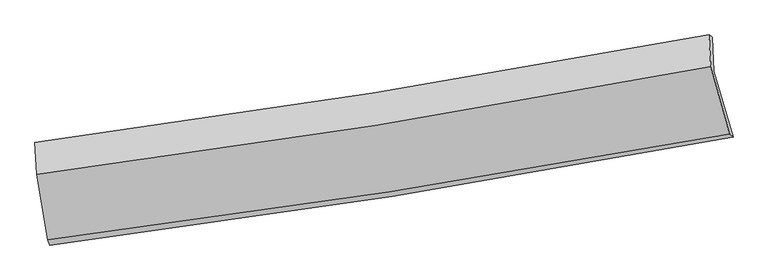
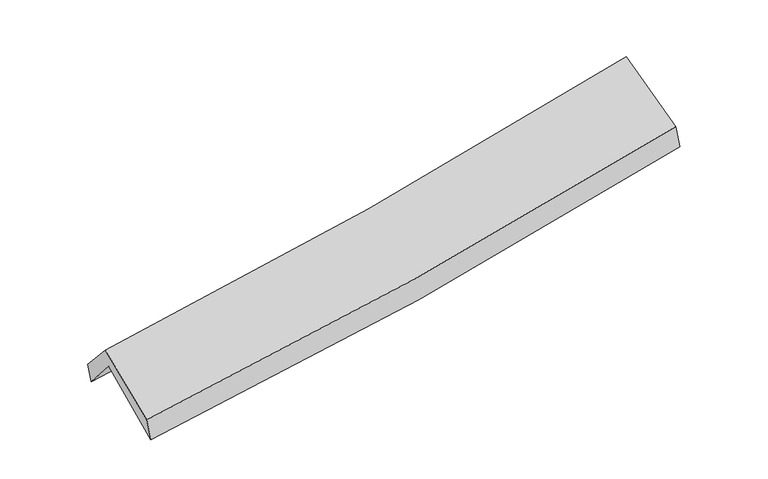
"""IFC4 building model written with IfcOpenShell, lengths in millimetres: proxy geometry."""

import ifcopenshell
import ifcopenshell.guid

model = None  # the IFC model being written
_history = None  # IfcOwnerHistory: only IFC2X3 demands one
_inside = {}  # id of a spatial element -> (the spatial element, [elements in it])
_under = {}  # id of a project, library or spatial element -> (it, [spatial elements below it])
_declared = {}  # id of a project -> (the project, [libraries it declares])
_typed = {}  # id of a type object -> (the type object, [elements of that type])
_made_of = {}  # id of a material, layer set ... -> (it, [elements and type objects made of it])


def new_model(schema):
    """Start an empty IFC model of exactly this schema.

    Asked for "IFC4X3", IfcOpenShell would pick the latest addendum, in which some entities
    have other attributes; the version numbers below select the first issue.
    IFC2X3 requires an IfcOwnerHistory on every rooted entity: one is made here for all.
    """
    global model, _history
    if schema == "IFC4X3":
        model = ifcopenshell.file(schema_version=(4, 3, 0, 0))
    else:
        model = ifcopenshell.file(schema=schema)
    _inside.clear()
    _under.clear()
    _declared.clear()
    _typed.clear()
    _made_of.clear()
    _history = None
    if model.schema == "IFC2X3":
        org = make("IfcOrganization", Name="unknown")
        user = make(
            "IfcPersonAndOrganization",
            ThePerson=make("IfcPerson", FamilyName="unknown"),
            TheOrganization=org,
        )
        app = make(
            "IfcApplication",
            ApplicationDeveloper=org,
            Version="unknown",
            ApplicationFullName="unknown",
            ApplicationIdentifier="unknown",
        )
        _history = make(
            "IfcOwnerHistory",
            OwningUser=user,
            OwningApplication=app,
            ChangeAction="ADDED",
            CreationDate=0,
        )
    return model


def make(cls, **values):
    """One entity of the class cls with the attributes given. An attribute that is None is left unset."""
    return model.create_entity(
        cls, **{name: value for name, value in values.items() if value is not None}
    )


def rooted(cls, **values):
    """An entity with a GlobalId (a new one), such as an element, a storey or a relation."""
    return make(cls, GlobalId=ifcopenshell.guid.new(), OwnerHistory=_history, **values)


def si_unit(unit_type, name, prefix=None):
    """IfcSIUnit, for example si_unit("LENGTHUNIT", "METRE", prefix="MILLI")."""
    return make("IfcSIUnit", UnitType=unit_type, Prefix=prefix, Name=name)


def assignment(units):
    """IfcUnitAssignment: the units of a project."""
    return None if units is None else make("IfcUnitAssignment", Units=units)


def point(xyz):
    """IfcCartesianPoint."""
    return None if xyz is None else make("IfcCartesianPoint", Coordinates=xyz)


def direction(xyz):
    """IfcDirection."""
    return None if xyz is None else make("IfcDirection", DirectionRatios=xyz)


def frame(location, z_axis=None, x_axis=None):
    """IfcAxis2Placement3D, a coordinate frame: its origin and axes. An axis left out is left unset."""
    return make(
        "IfcAxis2Placement3D",
        Location=point(location),
        Axis=direction(z_axis),
        RefDirection=direction(x_axis),
    )


def origin():
    """The frame at (0, 0, 0) with its axes left unset."""
    return frame((0.0, 0.0, 0.0))


def place(relative_to, where):
    """IfcLocalPlacement: puts the frame where relative to a parent placement (None: the world)."""
    return make(
        "IfcLocalPlacement", PlacementRelTo=relative_to, RelativePlacement=where
    )


def context(
    kind, dimensions, precision=None, world=None, true_north=None, identifier=None
):
    """IfcGeometricRepresentationContext, for example the 3D "Model" context."""
    return make(
        "IfcGeometricRepresentationContext",
        ContextIdentifier=identifier,
        ContextType=kind,
        CoordinateSpaceDimension=dimensions,
        Precision=precision,
        WorldCoordinateSystem=world,
        TrueNorth=true_north,
    )


def project(units=None, contexts=None):
    """IfcProject with its units and contexts."""
    return rooted(
        "IfcProject",
        Name="project",
        RepresentationContexts=contexts,
        UnitsInContext=assignment(units),
    )


def spatial(cls, under=None, at=None, **own):
    """A site, building, storey or space (cls), placed at a placement, below another one or the project."""
    s = rooted(cls, ObjectPlacement=at, **own)
    if under is not None:
        _under.setdefault(under.id(), (under, []))[1].append(s)
    return s


def shape(context_of_items, identifier, shape_type, items):
    """IfcShapeRepresentation: the items that make up one representation, for example the "Body"."""
    return make(
        "IfcShapeRepresentation",
        ContextOfItems=context_of_items,
        RepresentationIdentifier=identifier,
        RepresentationType=shape_type,
        Items=items,
    )


def source(mapping_origin, context_of_items, identifier, shape_type, items):
    """IfcRepresentationMap: a shape defined once, which mapped items show again and again."""
    return make(
        "IfcRepresentationMap",
        MappingOrigin=mapping_origin,
        MappedRepresentation=shape(context_of_items, identifier, shape_type, items),
    )


def transform(
    local_origin,
    x_axis=None,
    y_axis=None,
    z_axis=None,
    scale=None,
    scale2=None,
    scale3=None,
    uniform=True,
):
    """IfcCartesianTransformationOperator3D, or its non-uniform kind. x_axis, y_axis, z_axis: its Axis1, 2, 3."""
    if uniform:
        return make(
            "IfcCartesianTransformationOperator3D",
            Axis1=direction(x_axis),
            Axis2=direction(y_axis),
            LocalOrigin=point(local_origin),
            Scale=scale,
            Axis3=direction(z_axis),
        )
    return make(
        "IfcCartesianTransformationOperator3DnonUniform",
        Axis1=direction(x_axis),
        Axis2=direction(y_axis),
        LocalOrigin=point(local_origin),
        Scale=scale,
        Axis3=direction(z_axis),
        Scale2=scale2,
        Scale3=scale3,
    )


def mapped(mapping_source, mapping_target):
    """IfcMappedItem: shows the shape of a source again, moved by a transform."""
    return make(
        "IfcMappedItem", MappingSource=mapping_source, MappingTarget=mapping_target
    )


def made_of(thing, what):
    """Note that an element or type object is made of a material, layer set ...; save() writes the relation."""
    if what is not None:
        _made_of.setdefault(what.id(), (what, []))[1].append(thing)
    return thing


def element(
    cls,
    number,
    at=None,
    inside=None,
    cuts=None,
    type_object=None,
    material=None,
    context=None,
    identifier="Body",
    shape_type=None,
    held_by="IfcProductDefinitionShape",
    body=None,
    shapes=None,
    **own,
):
    """One element of the class cls, such as IfcWall. Its Tag is "e" and its number.

    at: its placement. inside: the storey or other place that contains it. cuts: it is an
    opening in that element (IfcRelVoidsElement). A single representation is given by context,
    identifier, shape_type and body (its items); several are given by shapes. held_by: the class
    of the entity that holds the representations. save() writes the other relations.
    """
    e = rooted(cls, Tag="e%d" % number, ObjectPlacement=at, **own)
    if body is not None:
        shapes = [shape(context, identifier, shape_type, body)]
    if shapes is not None:
        e.Representation = make(held_by, Representations=shapes)
    if inside is not None:
        _inside.setdefault(inside.id(), (inside, []))[1].append(e)
    if cuts is not None:
        rooted(
            "IfcRelVoidsElement", RelatingBuildingElement=cuts, RelatedOpeningElement=e
        )
    if type_object is not None:
        _typed.setdefault(type_object.id(), (type_object, []))[1].append(e)
    return made_of(e, material)


def aggregate(whole, parts):
    """IfcRelAggregates: a whole, such as a stair, and the parts it consists of."""
    return rooted("IfcRelAggregates", RelatingObject=whole, RelatedObjects=parts)


def save(model, path):
    """Write the relations noted so far, then the file.

    IfcRelAggregates (storeys below a building ...), IfcRelContainedInSpatialStructure (elements
    in a storey), IfcRelDefinesByType, IfcRelAssociatesMaterial and IfcRelDeclares: one each for
    every whole, place, type object, material and project.
    """
    for whole, parts in _under.values():
        aggregate(whole, parts)
    for where, things in _inside.values():
        rooted(
            "IfcRelContainedInSpatialStructure",
            RelatedElements=things,
            RelatingStructure=where,
        )
    for kind, things in _typed.values():
        rooted("IfcRelDefinesByType", RelatedObjects=things, RelatingType=kind)
    for what, things in _made_of.values():
        rooted("IfcRelAssociatesMaterial", RelatedObjects=things, RelatingMaterial=what)
    for by, libraries in _declared.values():
        rooted("IfcRelDeclares", RelatingContext=by, RelatedDefinitions=libraries)
    model.write(path)


def plane_surface(at):
    """IfcPlane: the flat surface through the origin of the frame at, square to its z axis."""
    return make("IfcPlane", Position=at)


def spline_curve(degree, points, multiplicities, knots, weights=None):
    """IfcBSplineCurveWithKnots; with weights, IfcRationalBSplineCurveWithKnots."""
    own = dict(
        Degree=degree,
        ControlPointsList=[point(p) for p in points],
        CurveForm="UNSPECIFIED",
        ClosedCurve=False,
        SelfIntersect=False,
        KnotMultiplicities=multiplicities,
        Knots=knots,
        KnotSpec="UNSPECIFIED",
    )
    if weights is None:
        return make("IfcBSplineCurveWithKnots", **own)
    return make("IfcRationalBSplineCurveWithKnots", WeightsData=weights, **own)


def spline_surface(u_degree, v_degree, points, u_multiplicities, v_multiplicities, u_knots, v_knots, weights=None):
    """IfcBSplineSurfaceWithKnots; with weights, IfcRationalBSplineSurfaceWithKnots. points: one row for each step in u."""
    own = dict(
        UDegree=u_degree,
        VDegree=v_degree,
        ControlPointsList=[[point(p) for p in row] for row in points],
        SurfaceForm="UNSPECIFIED",
        UClosed=False,
        VClosed=False,
        SelfIntersect=False,
        UMultiplicities=u_multiplicities,
        VMultiplicities=v_multiplicities,
        UKnots=u_knots,
        VKnots=v_knots,
        KnotSpec="UNSPECIFIED",
    )
    if weights is None:
        return make("IfcBSplineSurfaceWithKnots", **own)
    return make("IfcRationalBSplineSurfaceWithKnots", WeightsData=weights, **own)


def advanced_brep(points, edges, surfaces, faces):
    """IfcAdvancedBrep: a solid bounded by faces that lie on surfaces and meet in shared edges.

    An edge is (start, end): straight between two places in points (the first is 0);
    or (start, end, curve); or (start, end, curve, False) where it runs against its curve.
    A face is (place in surfaces, loops), or (place, loops, False) where it looks against
    its surface's normal. A loop lists edges by number (the first is 1), with a minus sign
    where the edge is run from its end to its start. The first loop is the outer one.
    """
    corners = [point(p) for p in points]
    vertices = [make("IfcVertexPoint", VertexGeometry=c) for c in corners]
    made = []
    for start, end, *more in edges:
        made.append(
            make(
                "IfcEdgeCurve",
                EdgeStart=vertices[start],
                EdgeEnd=vertices[end],
                EdgeGeometry=more[0] if more else make("IfcPolyline", Points=[corners[start], corners[end]]),
                SameSense=more[1] if len(more) > 1 else True,
            )
        )
    hull = []
    for where, loops, *sense in faces:
        bounds = []
        for j, loop in enumerate(loops):
            ring = [make("IfcOrientedEdge", EdgeElement=made[abs(k) - 1], Orientation=k > 0) for k in loop]
            bounds.append(
                make(
                    "IfcFaceOuterBound" if j == 0 else "IfcFaceBound",
                    Bound=make("IfcEdgeLoop", EdgeList=ring),
                    Orientation=True,
                )
            )
        hull.append(make("IfcAdvancedFace", Bounds=bounds, FaceSurface=surfaces[where], SameSense=sense[0] if sense else True))
    return make("IfcAdvancedBrep", Outer=make("IfcClosedShell", CfsFaces=hull))


def generic_models_f97a3b3d(model_context):
    return source(origin(), model_context, "Body", "AdvancedBrep", [
        advanced_brep(
        [(-2519.800141, -2486.6116646, 1486.4686449), (-2605.4588797, -1985.1088381, 1906.3413892), (2537.1010156, -1159.6305347, 2373.9008848), (2683.1245523, -1661.4710101, 1935.3045079), (-2618.4022988, -1730.1752798, 1608.9386265), (2523.570271, -899.519284, 2066.1620308), (-2631.051217, -1703.6410652, 1766.6549965), (2499.8308469, -883.2406538, 2243.9757487), (-2617.9931339, -1949.0608294, 2042.9811437), (2514.0719674, -1126.7835516, 2518.577696), (-2534.6918559, -2447.2427453, 1655.7749275), (2657.8476762, -1639.6051703, 2117.2412437)],
        [
            (0, 1),
            (1, 2, spline_curve(3, [(-2605.4588797, -1985.1088381, 1906.3413892), (-1743.4401184, -1871.602214394, 1964.436161136), (-884.362568993, -1746.149826957, 2032.391934609), (829.837319403, -1471.044234299, 2188.200654343), (1684.94640191, -1321.337187138, 2276.098046198), (2537.1010156, -1159.6305347, 2373.9008848)], [4, 2, 4], [0.0, 8.617858906655037, 17.255117122191887])),
            (2, 3),
            (3, 0, spline_curve(3, [(2683.1245523, -1661.4710101, 1935.3045079), (1820.626731781, -1824.991814979, 1833.710309679), (955.310143153, -1975.576718028, 1745.4831824), (-779.010735435, -2250.565559687, 1595.93120552), (-1648.002378062, -2375.027541585, 1534.546378444), (-2519.800141, -2486.6116646, 1486.4686449)], [4, 2, 4], [0.0, 8.63725821553685, 17.255117122191887])),
            (1, 4),
            (4, 5, spline_curve(3, [(-2618.4022988, -1730.1752798, 1608.9386265), (-1755.991737885, -1611.664290245, 1652.02628959), (-896.766902491, -1483.276402174, 1711.610667031), (817.238312838, -1206.435587234, 1863.944114797), (1672.004333784, -1057.938143432, 1956.76753859), (2523.570271, -899.519284, 2066.1620308)], [4, 2, 4], [0.0, 8.570131847210035, 17.159555566875014])),
            (5, 2),
            (4, 6),
            (6, 7, spline_curve(3, [(-2631.051217, -1703.6410652, 1766.6549965), (-1770.857374757, -1590.017911722, 1825.906841618), (-913.664276442, -1464.929400814, 1895.253412148), (796.643270032, -1191.514273772, 2054.314830896), (1649.744192813, -1043.135980516, 2144.075177728), (2499.8308469, -883.2406538, 2243.9757487)], [4, 2, 4], [0.0, 8.560765705130963, 17.140802198978413])),
            (7, 5),
            (6, 8),
            (8, 9, spline_curve(3, [(-2617.9931339, -1949.0608294, 2042.9811437), (-1757.618731644, -1835.129719995, 2101.951211651), (-900.236887055, -1709.731004095, 2171.013374782), (810.464968152, -1435.690264938, 2329.500071723), (1663.771490619, -1286.996554749, 2418.970092958), (2514.0719674, -1126.7835516, 2518.577696)], [4, 2, 4], [0.0, 8.552653109949643, 17.124558746685352])),
            (9, 7),
            (8, 10),
            (10, 11, spline_curve(3, [(-2534.6918559, -2447.2427453, 1655.7749275), (-1664.874414886, -2338.459710176, 1710.010298255), (-797.737531552, -2216.855158874, 1775.527577464), (933.121060745, -1947.700422717, 1929.29883344), (1796.830688521, -1800.092449036, 2017.603659234), (2657.8476762, -1639.6051703, 2117.2412437)], [4, 2, 4], [0.0, 8.599702626575164, 17.2187636911744])),
            (11, 9),
            (10, 0),
            (3, 11),
        ],
        [
            spline_surface(3, 3, [[(-2519.800141, -2486.6116646, 1486.4686449), (-1648.002378068, -2375.027541716, 1534.546378525), (-779.010735541, -2250.565559821, 1595.931205561), (955.310143259, -1975.576717893, 1745.483182359), (1820.626731841, -1824.991814938, 1833.710309656), (2683.1245523, -1661.4710101, 1935.3045079)], [(-2548.353053915, -2319.444055756, 1626.426226315), (-1679.814958177, -2207.21909923, 1677.842972732), (-814.128013343, -2082.426982222, 1741.418115231), (913.485868642, -1807.399223373, 1893.055673039), (1775.399955139, -1657.106938987, 1981.172888493), (2634.450040056, -1494.190851623, 2081.503300172)], [(-2576.905966785, -2152.276446944, 1766.383807785), (-1711.627538243, -2039.410656775, 1821.139566993), (-849.24529117, -1914.288404572, 1886.905024891), (871.661594, -1639.221728803, 2040.628163711), (1730.17317847, -1489.222063068, 2128.635467413), (2585.775527844, -1326.910693177, 2227.702092528)], [(-2605.4588797, -1985.1088381, 1906.3413892), (-1743.440118352, -1871.602214289, 1964.4361612), (-884.362568972, -1746.149826973, 2032.391934561), (829.837319382, -1471.044234283, 2188.200654391), (1684.946401768, -1321.337187116, 2276.098046249), (2537.1010156, -1159.6305347, 2373.9008848)]], [4, 4], [4, 2, 4], [0.0, 2.227746416570548], [0.0, 8.617858906655037, 17.255117122191887]),
            spline_surface(3, 3, [[(-2605.4588797, -1985.1088381, 1906.3413892), (-1743.440118352, -1871.602214289, 1964.4361612), (-884.362568972, -1746.149826973, 2032.391934561), (829.837319382, -1471.044234283, 2188.200654391), (1684.946401768, -1321.337187116, 2276.098046249), (2537.1010156, -1159.6305347, 2373.9008848)], [(-2609.773352734, -1900.13098533, 1807.207134978), (-1747.623991571, -1784.956239583, 1860.299537298), (-888.497346803, -1658.525352017, 1925.464845398), (825.637650516, -1382.841351919, 2080.115141172), (1680.632379124, -1233.537505846, 2169.654543698), (2532.590767395, -1072.926784463, 2271.321266799)], [(-2614.087825766, -1815.15313257, 1708.072880722), (-1751.807864788, -1698.310264887, 1756.162913361), (-892.63212462, -1570.900877117, 1818.537756246), (821.437981664, -1294.638469611, 1972.029627963), (1676.318356496, -1145.737824587, 2063.21104115), (2528.080519205, -986.223034237, 2168.741648801)], [(-2618.4022988, -1730.1752798, 1608.9386265), (-1755.991738007, -1611.664290181, 1652.02628946), (-896.766902451, -1483.276402161, 1711.610667083), (817.238312798, -1206.435587247, 1863.944114745), (1672.004333851, -1057.938143317, 1956.767538599), (2523.570271, -899.519284, 2066.1620308)]], [4, 4], [4, 2, 4], [0.0, 1.3675145332024414], [0.0, 8.570131847210035, 17.159555566875014]),
            spline_surface(3, 3, [[(-2618.4022988, -1730.1752798, 1608.9386265), (-1755.991738007, -1611.664290181, 1652.02628946), (-896.766902451, -1483.276402161, 1711.610667083), (817.238312798, -1206.435587247, 1863.944114745), (1672.004333851, -1057.938143317, 1956.767538599), (2523.570271, -899.519284, 2066.1620308)], [(-2622.618604856, -1721.330541625, 1661.510749817), (-1760.946950215, -1604.448830725, 1709.986473525), (-902.399360393, -1477.160735083, 1772.824915435), (810.373298507, -1201.461816032, 1927.40102008), (1664.58428686, -1053.004089096, 2019.203418315), (2515.657129642, -894.093073938, 2125.433270117)], [(-2626.834910944, -1712.485803375, 1714.082873183), (-1765.902162457, -1597.233371193, 1767.946657639), (-908.031818364, -1471.045068033, 1834.039163864), (803.508284187, -1196.488044846, 1990.857925493), (1657.164239843, -1048.070034861, 2081.639297981), (2507.743988258, -888.666863862, 2184.704509383)], [(-2631.051217, -1703.6410652, 1766.6549965), (-1770.857374665, -1590.017911737, 1825.906841705), (-913.664276306, -1464.929400954, 1895.253412215), (796.643269896, -1191.514273631, 2054.314830829), (1649.744192851, -1043.13598064, 2144.075177697), (2499.8308469, -883.2406538, 2243.9757487)]], [4, 4], [4, 2, 4], [0.0, 0.6190492009028539], [0.0, 8.560765705130963, 17.140802198978413]),
            spline_surface(3, 3, [[(-2631.051217, -1703.6410652, 1766.6549965), (-1770.857374665, -1590.017911737, 1825.906841705), (-913.664276306, -1464.929400954, 1895.253412215), (796.643269896, -1191.514273631, 2054.314830829), (1649.744192851, -1043.13598064, 2144.075177697), (2499.8308469, -883.2406538, 2243.9757487)], [(-2626.69852263, -1785.447653242, 1858.763712236), (-1766.444493688, -1671.721847846, 1917.921631685), (-909.188479893, -1546.529935378, 1987.173399708), (801.250502605, -1272.906270733, 2146.043244503), (1654.41995872, -1124.422838724, 2235.706816089), (2504.577887056, -964.421619736, 2335.509731126)], [(-2622.34582827, -1867.254241358, 1950.872427964), (-1762.03161272, -1753.425784028, 2009.936421657), (-904.71268341, -1628.130469738, 2079.093387181), (805.857735384, -1354.298267769, 2237.771658157), (1659.095724621, -1205.709696799, 2327.338454504), (2509.324927244, -1045.602585664, 2427.043713574)], [(-2617.9931339, -1949.0608294, 2042.9811437), (-1757.618731742, -1835.129720137, 2101.951211638), (-900.236886996, -1709.731004162, 2171.013374674), (810.464968094, -1435.690264871, 2329.500071832), (1663.77149049, -1286.996554883, 2418.970092895), (2514.0719674, -1126.7835516, 2518.577696)]], [4, 4], [4, 2, 4], [0.0, 1.20922370774206], [0.0, 8.552653109949643, 17.124558746685352]),
            spline_surface(3, 3, [[(-2617.9931339, -1949.0608294, 2042.9811437), (-1757.618731742, -1835.129720137, 2101.951211638), (-900.236886996, -1709.731004162, 2171.013374674), (810.464968094, -1435.690264871, 2329.500071832), (1663.77149049, -1286.996554883, 2418.970092895), (2514.0719674, -1126.7835516, 2518.577696)], [(-2590.226041246, -2115.12146805, 1913.912404963), (-1726.703959438, -2002.906383483, 1971.304240491), (-866.070435211, -1878.772389029, 2039.184775656), (851.350332335, -1606.360317485, 2196.099659011), (1708.124556454, -1458.028519615, 2285.181281714), (2561.997203663, -1297.724091169, 2384.798878566)], [(-2562.458948554, -2281.18210665, 1784.843666237), (-1695.789187096, -2170.683046779, 1840.657269356), (-831.903983418, -2047.813773953, 1907.356176595), (892.235696585, -1777.030370156, 2062.699246148), (1752.477622428, -1629.060484341, 2151.392470535), (2609.922439937, -1468.664630731, 2251.020061134)], [(-2534.6918559, -2447.2427453, 1655.7749275), (-1664.874414792, -2338.459710125, 1710.010298209), (-797.737531633, -2216.855158821, 1775.527577577), (933.121060827, -1947.70042277, 1929.298833327), (1796.830688392, -1800.092449073, 2017.603659353), (2657.8476762, -1639.6051703, 2117.2412437)]], [4, 4], [4, 2, 4], [0.0, 2.152958049857979], [0.0, 8.599702626575164, 17.2187636911744]),
            spline_surface(3, 3, [[(-2534.6918559, -2447.2427453, 1655.7749275), (-1664.874414792, -2338.459710125, 1710.010298209), (-797.737531633, -2216.855158821, 1775.527577577), (933.121060827, -1947.70042277, 1929.298833327), (1796.830688392, -1800.092449073, 2017.603659353), (2657.8476762, -1639.6051703, 2117.2412437)], [(-2529.72795092, -2460.365718396, 1599.33949999), (-1659.250402537, -2350.648987318, 1651.522325005), (-791.495266256, -2228.091959163, 1715.662120244), (940.517421651, -1956.992521153, 1868.026949677), (1804.762702897, -1808.392237699, 1956.305876141), (2666.273301588, -1646.893783571, 2056.59566512)], [(-2524.76404598, -2473.488691504, 1542.90407241), (-1653.626390323, -2362.838264523, 1593.03435173), (-785.253000918, -2239.328759479, 1655.796662894), (947.913782435, -1966.28461951, 1806.755066009), (1812.694717336, -1816.692026312, 1895.008092869), (2674.698926912, -1654.182396829, 1995.95008648)], [(-2519.800141, -2486.6116646, 1486.4686449), (-1648.002378068, -2375.027541716, 1534.546378525), (-779.010735541, -2250.565559821, 1595.931205561), (955.310143259, -1975.576717893, 1745.483182359), (1820.626731841, -1824.991814938, 1833.710309656), (2683.1245523, -1661.4710101, 1935.3045079)]], [4, 4], [4, 2, 4], [0.0, 0.6083751980226839], [0.0, 8.655610892882764, 17.330706076595835]),
            plane_surface(frame((2569.2577216, -1228.3750341, 2209.1936853), z_axis=(0.9761855200623614, 0.18494053128627233, 0.11339678261806543), x_axis=(0.2155946988185375, -0.7689868014806573, -0.6018124500123708))),
            plane_surface(frame((-2587.8995877, -2050.306737, 1744.5266214), z_axis=(-0.9910489976471811, -0.11957259463092004, -0.05936563716281869), x_axis=(-0.08535890618728875, 0.22566157770782433, 0.9704590199905019))),
        ],
        [
            (0, [[1, 2, 3, 4]]),
            (1, [[5, 6, 7, -2]]),
            (2, [[8, 9, 10, -6]]),
            (3, [[11, 12, 13, -9]]),
            (4, [[14, 15, 16, -12]]),
            (5, [[17, -4, 18, -15]]),
            (6, [[-16, -18, -3, -7, -10, -13]]),
            (7, [[-17, -14, -11, -8, -5, -1]]),
        ],
    ),
    ])


if __name__ == "__main__":
    model = new_model("IFC4")
    model_context = context("Model", 3, world=origin())
    ifc_project = project(units=[si_unit("LENGTHUNIT", "METRE", prefix="MILLI")], contexts=[model_context])
    site = spatial("IfcSite", under=ifc_project)
    building = spatial("IfcBuilding", under=site)
    placement = place(None, origin())
    generic_models_shape = generic_models_f97a3b3d(model_context)
    element("IfcBuildingElementProxy", 1, Name="Generic Models", at=placement, inside=building, context=model_context, shape_type="MappedRepresentation", body=[
        mapped(generic_models_shape, transform((0.0, 0.0, 0.0), x_axis=(1.0, 0.0, 0.0), y_axis=(0.0, 1.0, 0.0), z_axis=(0.0, 0.0, 1.0))),
    ])
    save(model, "model.ifc")
